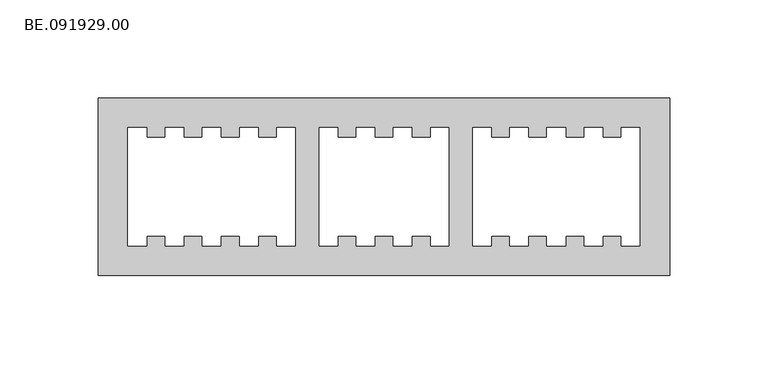
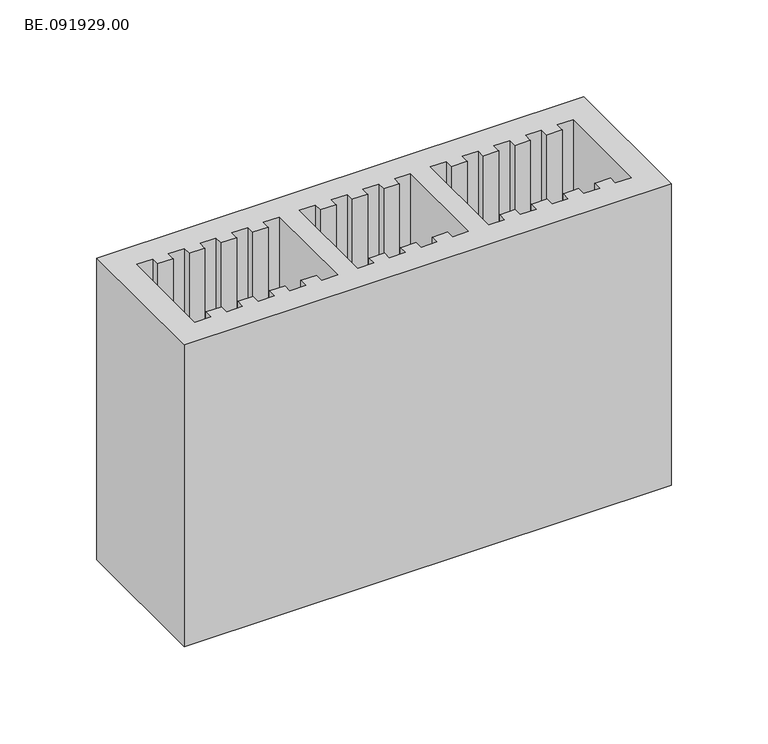
"""IFC4 building model written with IfcOpenShell, lengths in millimetres: proxy geometry, BE.091929.00."""

from ifc_helpers import new_model, si_unit, origin, origin_with_axes, place, context, project, spatial, polyline, outline, extrude, source, transform, mapped, element, save


def be_091929_00_29c26333(model_context):
    return source(origin(), model_context, "Body", "SweptSolid", [
        extrude(outline(polyline([(295.0, 45.0), (295.0, -45.0), (5.0, -45.0), (5.0, 45.0), (295.0, 45.0)]), holes=[polyline([(104.9938965, -30.0055664), (104.9938965, 30.009375), (95.5433105, 30.009375), (95.5433105, 25.0050293), (86.1113281, 25.0050293), (86.1113281, 30.009375), (76.6607422, 30.009375), (76.6607422, 25.0050293), (67.2101563, 25.0050293), (67.2101563, 30.009375), (57.7781738, 30.009375), (57.7781738, 25.0050293), (48.3275879, 25.0050293), (48.3275879, 30.009375), (38.877002, 30.009375), (38.877002, 25.0050293), (29.4450195, 25.0050293), (29.4450195, 30.009375), (19.9944336, 30.009375), (19.9944336, -30.0055664), (29.4450195, -30.0055664), (29.4450195, -25.0012207), (38.877002, -25.0012207), (38.877002, -30.0055664), (48.3275879, -30.0055664), (48.3275879, -25.0012207), (57.7781738, -25.0012207), (57.7781738, -30.0055664), (67.2101563, -30.0055664), (67.2101563, -25.0012207), (76.6607422, -25.0012207), (76.6607422, -30.0055664), (86.1113281, -30.0055664), (86.1113281, -25.0012207), (95.5433105, -25.0012207), (95.5433105, -30.0055664), (104.9938965, -30.0055664)]), polyline([(116.9931641, 30.009375), (116.9931641, -30.0055664), (126.44375, -30.0055664), (126.44375, -25.0012207), (135.8757324, -25.0012207), (135.8757324, -30.0055664), (145.3263184, -30.0055664), (145.3263184, -25.0012207), (154.7769043, -25.0012207), (154.7769043, -30.0055664), (164.2088867, -30.0055664), (164.2088867, -25.0012207), (173.6594727, -25.0012207), (173.6594727, -30.0055664), (182.9984375, -30.0055664), (182.9984375, 30.009375), (173.6594727, 30.009375), (173.6594727, 25.0050293), (164.2088867, 25.0050293), (164.2088867, 30.009375), (154.7769043, 30.009375), (154.7769043, 25.0050293), (145.3263184, 25.0050293), (145.3263184, 30.009375), (135.8757324, 30.009375), (135.8757324, 25.0050293), (126.44375, 25.0050293), (126.44375, 30.009375), (116.9931641, 30.009375)]), polyline([(194.9977051, 30.009375), (194.9977051, -30.0055664), (204.4296875, -30.0055664), (204.4296875, -25.0012207), (213.8802734, -25.0012207), (213.8802734, -30.0055664), (223.3308594, -30.0055664), (223.3308594, -25.0012207), (232.7628418, -25.0012207), (232.7628418, -30.0055664), (242.2134277, -30.0055664), (242.2134277, -25.0012207), (251.6640137, -25.0012207), (251.6640137, -30.0055664), (261.0959961, -30.0055664), (261.0959961, -25.0012207), (270.546582, -25.0012207), (270.546582, -30.0055664), (279.997168, -30.0055664), (279.997168, 30.009375), (270.546582, 30.009375), (270.546582, 25.0050293), (261.0959961, 25.0050293), (261.0959961, 30.009375), (251.6640137, 30.009375), (251.6640137, 25.0050293), (242.2134277, 25.0050293), (242.2134277, 30.009375), (232.7628418, 30.009375), (232.7628418, 25.0050293), (223.3308594, 25.0050293), (223.3308594, 30.009375), (213.8802734, 30.009375), (213.8802734, 25.0050293), (204.4296875, 25.0050293), (204.4296875, 30.009375), (194.9977051, 30.009375)])]), origin_with_axes(), (0.0, 0.0, 1.0), 190.0),
    ])


if __name__ == "__main__":
    model = new_model("IFC4")
    model_context = context("Model", 3, world=origin())
    ifc_project = project(units=[si_unit("LENGTHUNIT", "METRE", prefix="MILLI")], contexts=[model_context])
    site = spatial("IfcSite", under=ifc_project)
    building = spatial("IfcBuilding", under=site)
    placement = place(None, origin())
    be_091929_00_shape = be_091929_00_29c26333(model_context)
    element("IfcBuildingElementProxy", 1, Name="BE.091929.00", ObjectType="BE.091929.00", at=placement, inside=building, context=model_context, shape_type="MappedRepresentation", body=[
        mapped(be_091929_00_shape, transform((0.0, 0.0, 0.0), x_axis=(1.0, 0.0, 0.0), y_axis=(0.0, 1.0, 0.0), z_axis=(0.0, 0.0, 1.0))),
    ])
    save(model, "model.ifc")
